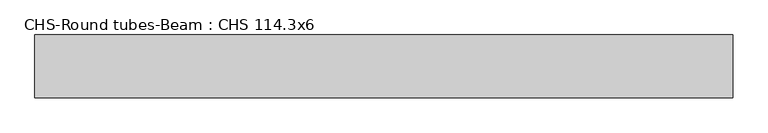
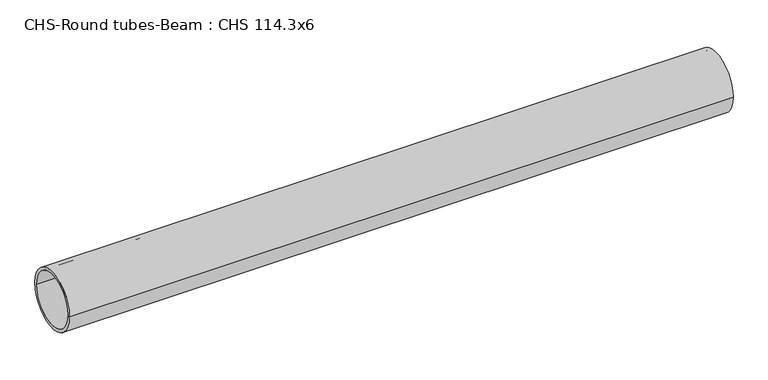
"""IFC4 building model written with IfcOpenShell, lengths in millimetres: beam geometry, CHS-Round tubes-Beam : CHS 114.3x6."""

import ifcopenshell
import ifcopenshell.guid

model = None  # the IFC model being written
_history = None  # IfcOwnerHistory: only IFC2X3 demands one
_inside = {}  # id of a spatial element -> (the spatial element, [elements in it])
_under = {}  # id of a project, library or spatial element -> (it, [spatial elements below it])
_declared = {}  # id of a project -> (the project, [libraries it declares])
_typed = {}  # id of a type object -> (the type object, [elements of that type])
_made_of = {}  # id of a material, layer set ... -> (it, [elements and type objects made of it])


def new_model(schema):
    """Start an empty IFC model of exactly this schema.

    Asked for "IFC4X3", IfcOpenShell would pick the latest addendum, in which some entities
    have other attributes; the version numbers below select the first issue.
    IFC2X3 requires an IfcOwnerHistory on every rooted entity: one is made here for all.
    """
    global model, _history
    if schema == "IFC4X3":
        model = ifcopenshell.file(schema_version=(4, 3, 0, 0))
    else:
        model = ifcopenshell.file(schema=schema)
    _inside.clear()
    _under.clear()
    _declared.clear()
    _typed.clear()
    _made_of.clear()
    _history = None
    if model.schema == "IFC2X3":
        org = make("IfcOrganization", Name="unknown")
        user = make(
            "IfcPersonAndOrganization",
            ThePerson=make("IfcPerson", FamilyName="unknown"),
            TheOrganization=org,
        )
        app = make(
            "IfcApplication",
            ApplicationDeveloper=org,
            Version="unknown",
            ApplicationFullName="unknown",
            ApplicationIdentifier="unknown",
        )
        _history = make(
            "IfcOwnerHistory",
            OwningUser=user,
            OwningApplication=app,
            ChangeAction="ADDED",
            CreationDate=0,
        )
    return model


def make(cls, **values):
    """One entity of the class cls with the attributes given. An attribute that is None is left unset."""
    return model.create_entity(
        cls, **{name: value for name, value in values.items() if value is not None}
    )


def rooted(cls, **values):
    """An entity with a GlobalId (a new one), such as an element, a storey or a relation."""
    return make(cls, GlobalId=ifcopenshell.guid.new(), OwnerHistory=_history, **values)


def si_unit(unit_type, name, prefix=None):
    """IfcSIUnit, for example si_unit("LENGTHUNIT", "METRE", prefix="MILLI")."""
    return make("IfcSIUnit", UnitType=unit_type, Prefix=prefix, Name=name)


def assignment(units):
    """IfcUnitAssignment: the units of a project."""
    return None if units is None else make("IfcUnitAssignment", Units=units)


def point(xyz):
    """IfcCartesianPoint."""
    return None if xyz is None else make("IfcCartesianPoint", Coordinates=xyz)


def direction(xyz):
    """IfcDirection."""
    return None if xyz is None else make("IfcDirection", DirectionRatios=xyz)


def frame(location, z_axis=None, x_axis=None):
    """IfcAxis2Placement3D, a coordinate frame: its origin and axes. An axis left out is left unset."""
    return make(
        "IfcAxis2Placement3D",
        Location=point(location),
        Axis=direction(z_axis),
        RefDirection=direction(x_axis),
    )


def frame_2d(location, x_axis=None):
    """IfcAxis2Placement2D, a coordinate frame in the plane: its origin and x axis."""
    return make(
        "IfcAxis2Placement2D", Location=point(location), RefDirection=direction(x_axis)
    )


def origin():
    """The frame at (0, 0, 0) with its axes left unset."""
    return frame((0.0, 0.0, 0.0))


def origin_2d():
    """The frame at (0, 0) in the plane with its x axis left unset."""
    return frame_2d((0.0, 0.0))


def place(relative_to, where):
    """IfcLocalPlacement: puts the frame where relative to a parent placement (None: the world)."""
    return make(
        "IfcLocalPlacement", PlacementRelTo=relative_to, RelativePlacement=where
    )


def context(
    kind, dimensions, precision=None, world=None, true_north=None, identifier=None
):
    """IfcGeometricRepresentationContext, for example the 3D "Model" context."""
    return make(
        "IfcGeometricRepresentationContext",
        ContextIdentifier=identifier,
        ContextType=kind,
        CoordinateSpaceDimension=dimensions,
        Precision=precision,
        WorldCoordinateSystem=world,
        TrueNorth=true_north,
    )


def project(units=None, contexts=None):
    """IfcProject with its units and contexts."""
    return rooted(
        "IfcProject",
        Name="project",
        RepresentationContexts=contexts,
        UnitsInContext=assignment(units),
    )


def spatial(cls, under=None, at=None, **own):
    """A site, building, storey or space (cls), placed at a placement, below another one or the project."""
    s = rooted(cls, ObjectPlacement=at, **own)
    if under is not None:
        _under.setdefault(under.id(), (under, []))[1].append(s)
    return s


def circle_curve(where, radius):
    """IfcCircle in the frame where."""
    return make("IfcCircle", Position=where, Radius=radius)


def trimmed(basis, trim1, trim2, sense, master):
    """IfcTrimmedCurve: the piece of a basis curve between two trims."""
    return make(
        "IfcTrimmedCurve",
        BasisCurve=basis,
        Trim1=trim1,
        Trim2=trim2,
        SenseAgreement=sense,
        MasterRepresentation=master,
    )


def segment(curve, same_sense, transition):
    """IfcCompositeCurveSegment."""
    return make(
        "IfcCompositeCurveSegment",
        Transition=transition,
        SameSense=same_sense,
        ParentCurve=curve,
    )


def composite_curve(segments, self_intersect=None):
    """IfcCompositeCurve: segments joined end to end."""
    return make("IfcCompositeCurve", Segments=segments, SelfIntersect=self_intersect)


def outline(outer, holes=None, kind="AREA"):
    """IfcArbitraryClosedProfileDef: a profile drawn as a closed curve; with holes, ...WithVoids."""
    if holes is None:
        return make("IfcArbitraryClosedProfileDef", ProfileType=kind, OuterCurve=outer)
    return make(
        "IfcArbitraryProfileDefWithVoids",
        ProfileType=kind,
        OuterCurve=outer,
        InnerCurves=holes,
    )


def extrude(swept, where, along, depth):
    """IfcExtrudedAreaSolid: the profile swept, set in the frame where, extruded along a direction by depth."""
    return make(
        "IfcExtrudedAreaSolid",
        SweptArea=swept,
        Position=where,
        ExtrudedDirection=direction(along),
        Depth=depth,
    )


def shape(context_of_items, identifier, shape_type, items):
    """IfcShapeRepresentation: the items that make up one representation, for example the "Body"."""
    return make(
        "IfcShapeRepresentation",
        ContextOfItems=context_of_items,
        RepresentationIdentifier=identifier,
        RepresentationType=shape_type,
        Items=items,
    )


def source(mapping_origin, context_of_items, identifier, shape_type, items):
    """IfcRepresentationMap: a shape defined once, which mapped items show again and again."""
    return make(
        "IfcRepresentationMap",
        MappingOrigin=mapping_origin,
        MappedRepresentation=shape(context_of_items, identifier, shape_type, items),
    )


def transform(
    local_origin,
    x_axis=None,
    y_axis=None,
    z_axis=None,
    scale=None,
    scale2=None,
    scale3=None,
    uniform=True,
):
    """IfcCartesianTransformationOperator3D, or its non-uniform kind. x_axis, y_axis, z_axis: its Axis1, 2, 3."""
    if uniform:
        return make(
            "IfcCartesianTransformationOperator3D",
            Axis1=direction(x_axis),
            Axis2=direction(y_axis),
            LocalOrigin=point(local_origin),
            Scale=scale,
            Axis3=direction(z_axis),
        )
    return make(
        "IfcCartesianTransformationOperator3DnonUniform",
        Axis1=direction(x_axis),
        Axis2=direction(y_axis),
        LocalOrigin=point(local_origin),
        Scale=scale,
        Axis3=direction(z_axis),
        Scale2=scale2,
        Scale3=scale3,
    )


def mapped(mapping_source, mapping_target):
    """IfcMappedItem: shows the shape of a source again, moved by a transform."""
    return make(
        "IfcMappedItem", MappingSource=mapping_source, MappingTarget=mapping_target
    )


def made_of(thing, what):
    """Note that an element or type object is made of a material, layer set ...; save() writes the relation."""
    if what is not None:
        _made_of.setdefault(what.id(), (what, []))[1].append(thing)
    return thing


def element(
    cls,
    number,
    at=None,
    inside=None,
    cuts=None,
    type_object=None,
    material=None,
    context=None,
    identifier="Body",
    shape_type=None,
    held_by="IfcProductDefinitionShape",
    body=None,
    shapes=None,
    **own,
):
    """One element of the class cls, such as IfcWall. Its Tag is "e" and its number.

    at: its placement. inside: the storey or other place that contains it. cuts: it is an
    opening in that element (IfcRelVoidsElement). A single representation is given by context,
    identifier, shape_type and body (its items); several are given by shapes. held_by: the class
    of the entity that holds the representations. save() writes the other relations.
    """
    e = rooted(cls, Tag="e%d" % number, ObjectPlacement=at, **own)
    if body is not None:
        shapes = [shape(context, identifier, shape_type, body)]
    if shapes is not None:
        e.Representation = make(held_by, Representations=shapes)
    if inside is not None:
        _inside.setdefault(inside.id(), (inside, []))[1].append(e)
    if cuts is not None:
        rooted(
            "IfcRelVoidsElement", RelatingBuildingElement=cuts, RelatedOpeningElement=e
        )
    if type_object is not None:
        _typed.setdefault(type_object.id(), (type_object, []))[1].append(e)
    return made_of(e, material)


def aggregate(whole, parts):
    """IfcRelAggregates: a whole, such as a stair, and the parts it consists of."""
    return rooted("IfcRelAggregates", RelatingObject=whole, RelatedObjects=parts)


def save(model, path):
    """Write the relations noted so far, then the file.

    IfcRelAggregates (storeys below a building ...), IfcRelContainedInSpatialStructure (elements
    in a storey), IfcRelDefinesByType, IfcRelAssociatesMaterial and IfcRelDeclares: one each for
    every whole, place, type object, material and project.
    """
    for whole, parts in _under.values():
        aggregate(whole, parts)
    for where, things in _inside.values():
        rooted(
            "IfcRelContainedInSpatialStructure",
            RelatedElements=things,
            RelatingStructure=where,
        )
    for kind, things in _typed.values():
        rooted("IfcRelDefinesByType", RelatedObjects=things, RelatingType=kind)
    for what, things in _made_of.values():
        rooted("IfcRelAssociatesMaterial", RelatedObjects=things, RelatingMaterial=what)
    for by, libraries in _declared.values():
        rooted("IfcRelDeclares", RelatingContext=by, RelatedDefinitions=libraries)
    model.write(path)


def chs_round_tubes_beam_chs_114_3x6_86df2847(model_context):
    return source(origin(), model_context, "Body", "SweptSolid", [
        extrude(outline(composite_curve([segment(trimmed(circle_curve(origin_2d(), 57.15), [point((57.15, 0.0))], [point((-57.15, 0.0))], False, "CARTESIAN"), True, "CONTINUOUS"), segment(trimmed(circle_curve(origin_2d(), 57.15), [point((-57.15, 0.0))], [point((57.15, 0.0))], False, "CARTESIAN"), True, "CONTINUOUS")], self_intersect=False), holes=[composite_curve([segment(trimmed(circle_curve(origin_2d(), 51.15), [point((51.15, 0.0))], [point((-51.15, 0.0))], True, "CARTESIAN"), True, "CONTINUOUS"), segment(trimmed(circle_curve(origin_2d(), 51.15), [point((-51.15, 0.0))], [point((51.15, 0.0))], True, "CARTESIAN"), True, "CONTINUOUS")], self_intersect=False)]), frame((-639.1206132, 0.0, 0.0), z_axis=(1.0, 0.0, 0.0), x_axis=(0.0, 1.0, 0.0)), (0.0, 0.0, 1.0), 1268.952586),
    ])


if __name__ == "__main__":
    model = new_model("IFC4")
    model_context = context("Model", 3, world=origin())
    ifc_project = project(units=[si_unit("LENGTHUNIT", "METRE", prefix="MILLI")], contexts=[model_context])
    site = spatial("IfcSite", under=ifc_project)
    building = spatial("IfcBuilding", under=site)
    placement = place(None, origin())
    chs_round_tubes_beam_chs_114_3x6_shape = chs_round_tubes_beam_chs_114_3x6_86df2847(model_context)
    element("IfcBeam", 1, ObjectType="CHS-Round tubes-Beam : CHS 114.3x6", at=placement, inside=building, context=model_context, shape_type="MappedRepresentation", body=[
        mapped(chs_round_tubes_beam_chs_114_3x6_shape, transform((0.0, 0.0, 0.0), x_axis=(1.0, 0.0, 0.0), y_axis=(0.0, 1.0, 0.0), z_axis=(0.0, 0.0, 1.0))),
    ])
    save(model, "model.ifc")
